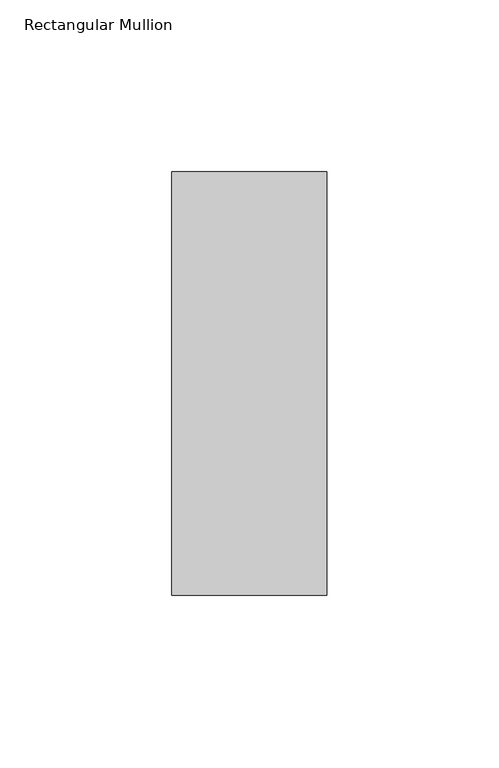
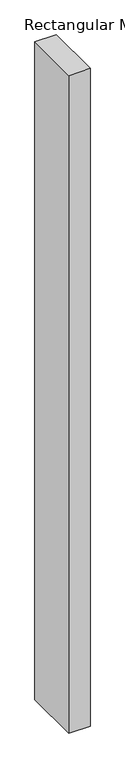
"""IFC4 building model written with IfcOpenShell, lengths in millimetres: member geometry, Rectangular Mullion."""

from ifc_helpers import new_model, si_unit, frame, origin, place, context, project, spatial, polyline, outline, extrude, source, transform, mapped, element, save


def rectangular_mullion_88dcb136(model_context):
    return source(origin(), model_context, "Body", "SweptSolid", [
        extrude(outline(polyline([(0.0, 77.05), (0.0, -46.05), (-45.0, -46.05), (-45.0, 77.05), (0.0, 77.05)])), frame((0.0, 0.0, -1463.0437978), z_axis=(0.0, 0.0, 1.0), x_axis=(1.0, 0.0, 0.0)), (0.0, 0.0, 1.0), 1463.0437978),
    ])


if __name__ == "__main__":
    model = new_model("IFC4")
    model_context = context("Model", 3, world=origin())
    ifc_project = project(units=[si_unit("LENGTHUNIT", "METRE", prefix="MILLI")], contexts=[model_context])
    site = spatial("IfcSite", under=ifc_project)
    building = spatial("IfcBuilding", under=site)
    placement = place(None, origin())
    rectangular_mullion_shape = rectangular_mullion_88dcb136(model_context)
    element("IfcMember", 1, ObjectType="Rectangular Mullion", at=placement, inside=building, context=model_context, shape_type="MappedRepresentation", body=[
        mapped(rectangular_mullion_shape, transform((0.0, 0.0, 0.0), x_axis=(1.0, 0.0, 0.0), y_axis=(0.0, 1.0, 0.0), z_axis=(0.0, 0.0, 1.0))),
    ])
    save(model, "model.ifc")
